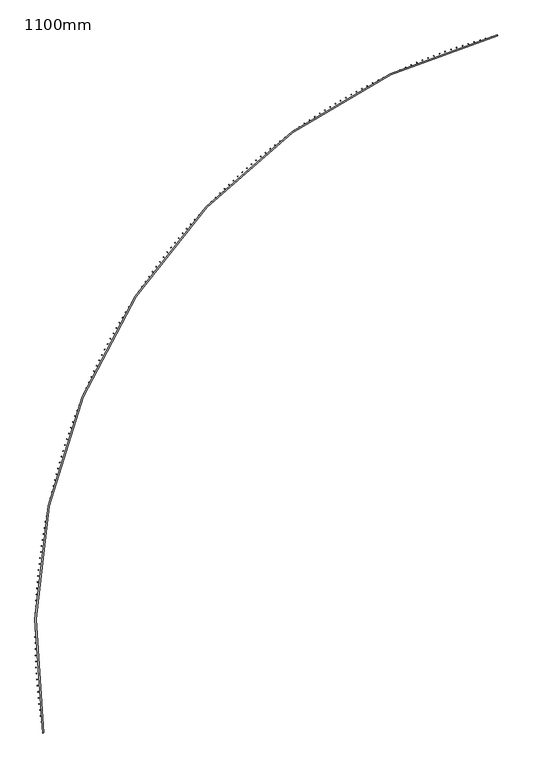
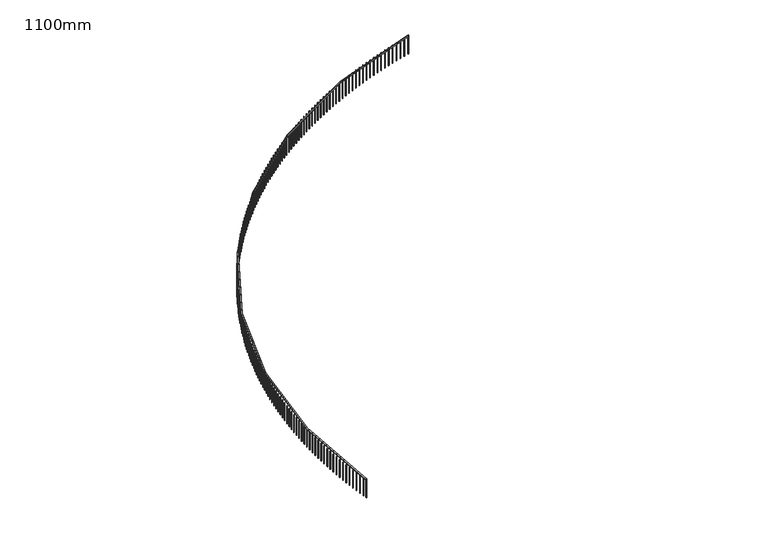
"""IFC4 building model written with IfcOpenShell, lengths in millimetres: railing geometry, 1100mm."""

from ifc_helpers import new_model, si_unit, point, frame, frame_2d, origin, place, context, project, spatial, polyline, circle_curve, trimmed, segment, composite_curve, outline, extrude, source, transform, mapped, element, save


def railing_1100mm_83570c48(model_context):
    return source(origin(), model_context, "Body", "SweptSolid", [
        extrude(outline(composite_curve([segment(trimmed(circle_curve(frame_2d((-8776.2169486, -53857.0322819)), 27971.5412014), [point((-36394.0287338, -58291.3968787))], [point((-15853.428822, -26795.6171438))], False, "CARTESIAN"), True, "CONTINUOUS"), segment(polyline([(-15853.428822, -26795.6171438), (-15840.7780857, -26843.9902651)]), True, "CONTINUOUS"), segment(trimmed(circle_curve(frame_2d((-8776.2169486, -53857.0322819)), 27921.5412014), [point((-15840.7780857, -26843.9902651))], [point((-36344.6610361, -58283.4703141))], True, "CARTESIAN"), True, "CONTINUOUS"), segment(polyline([(-36344.6610361, -58283.4703141), (-36394.0287338, -58291.3968787)]), True, "CONTINUOUS")], self_intersect=False)), frame((0.0, 0.0, 27650.0), z_axis=(0.0, 0.0, 1.0), x_axis=(1.0, 0.0, 0.0)), (0.0, 0.0, 1.0), 50.0),
        extrude(outline(polyline([(-36418.1953524, -58055.742926), (-36393.4805423, -58051.9775357), (-36389.7151521, -58076.6923458), (-36414.4299622, -58080.4577361), (-36418.1953524, -58055.742926)])), frame((0.0, 0.0, 26600.0), z_axis=(0.0, 0.0, 1.0), x_axis=(1.0, 0.0, 0.0)), (0.0, 0.0, 1.0), 1050.0),
        extrude(outline(polyline([(-36458.1726315, -57783.5410007), (-36433.4219663, -57780.0189879), (-36429.8999535, -57804.7696531), (-36454.6506187, -57808.2916659), (-36458.1726315, -57783.5410007)])), frame((0.0, 0.0, 26600.0), z_axis=(0.0, 0.0, 1.0), x_axis=(1.0, 0.0, 0.0)), (0.0, 0.0, 1.0), 1050.0),
        extrude(outline(polyline([(-36495.4694926, -57510.9588753), (-36470.685369, -57507.6805809), (-36467.4070746, -57532.4647046), (-36492.1911983, -57535.7429989), (-36495.4694926, -57510.9588753)])), frame((0.0, 0.0, 26600.0), z_axis=(0.0, 0.0, 1.0), x_axis=(1.0, 0.0, 0.0)), (0.0, 0.0, 1.0), 1050.0),
        extrude(outline(polyline([(-36530.0823244, -57238.0229435), (-36505.267142, -57234.9886851), (-36502.2328836, -57259.8038674), (-36527.0480659, -57262.8381258), (-36530.0823244, -57238.0229435)])), frame((0.0, 0.0, 26600.0), z_axis=(0.0, 0.0, 1.0), x_axis=(1.0, 0.0, 0.0)), (0.0, 0.0, 1.0), 1050.0),
        extrude(outline(polyline([(-36562.0077752, -56964.7596335), (-36537.1639369, -56961.9697048), (-36534.3740082, -56986.8135431), (-36559.2178464, -56989.6034718), (-36562.0077752, -56964.7596335)])), frame((0.0, 0.0, 26600.0), z_axis=(0.0, 0.0, 1.0), x_axis=(1.0, 0.0, 0.0)), (0.0, 0.0, 1.0), 1050.0),
        extrude(outline(polyline([(-36591.2427537, -56691.1954053), (-36566.3726652, -56688.6500764), (-36563.8273364, -56713.5201649), (-36588.6974249, -56716.0654937), (-36591.2427537, -56691.1954053)])), frame((0.0, 0.0, 26600.0), z_axis=(0.0, 0.0, 1.0), x_axis=(1.0, 0.0, 0.0)), (0.0, 0.0, 1.0), 1050.0),
        extrude(outline(polyline([(-36617.7844292, -56417.3567476), (-36592.8904987, -56415.0562651), (-36590.5900161, -56439.9501957), (-36615.4839467, -56442.2506782), (-36617.7844292, -56417.3567476)])), frame((0.0, 0.0, 26600.0), z_axis=(0.0, 0.0, 1.0), x_axis=(1.0, 0.0, 0.0)), (0.0, 0.0, 1.0), 1050.0),
        extrude(outline(polyline([(-36641.6302317, -56143.2701761), (-36616.7148695, -56141.2147626), (-36614.659456, -56166.1301249), (-36639.5748183, -56168.1855383), (-36641.6302317, -56143.2701761)])), frame((0.0, 0.0, 26600.0), z_axis=(0.0, 0.0, 1.0), x_axis=(1.0, 0.0, 0.0)), (0.0, 0.0, 1.0), 1050.0),
        extrude(outline(polyline([(-36662.7778522, -55868.9622303), (-36637.8434709, -55867.152085), (-36636.0333255, -55892.0864663), (-36660.9677069, -55893.8966117), (-36662.7778522, -55868.9622303)])), frame((0.0, 0.0, 26600.0), z_axis=(0.0, 0.0, 1.0), x_axis=(1.0, 0.0, 0.0)), (0.0, 0.0, 1.0), 1050.0),
        extrude(outline(polyline([(-36681.225243, -55594.4594712), (-36656.2742569, -55592.8947693), (-36654.7095549, -55617.8457554), (-36679.660541, -55619.4104573), (-36681.225243, -55594.4594712)])), frame((0.0, 0.0, 26600.0), z_axis=(0.0, 0.0, 1.0), x_axis=(1.0, 0.0, 0.0)), (0.0, 0.0, 1.0), 1050.0),
        extrude(outline(polyline([(-36696.9706178, -55319.7884787), (-36672.005443, -55318.4693716), (-36670.6863359, -55343.4345465), (-36695.6515107, -55344.7536536), (-36696.9706178, -55319.7884787)])), frame((0.0, 0.0, 26600.0), z_axis=(0.0, 0.0, 1.0), x_axis=(1.0, 0.0, 0.0)), (0.0, 0.0, 1.0), 1050.0),
        extrude(outline(polyline([(-36710.0124521, -55044.9758488), (-36685.0355058, -55043.9024644), (-36683.9621213, -55068.8794106), (-36708.9390676, -55069.9527951), (-36710.0124521, -55044.9758488)])), frame((0.0, 0.0, 26600.0), z_axis=(0.0, 0.0, 1.0), x_axis=(1.0, 0.0, 0.0)), (0.0, 0.0, 1.0), 1050.0),
        extrude(outline(polyline([(-36720.349483, -54770.0481915), (-36695.3631838, -54769.2206336), (-36694.5356258, -54794.2069328), (-36719.521925, -54795.0344907), (-36720.349483, -54770.0481915)])), frame((0.0, 0.0, 26600.0), z_axis=(0.0, 0.0, 1.0), x_axis=(1.0, 0.0, 0.0)), (0.0, 0.0, 1.0), 1050.0),
        extrude(outline(polyline([(-36727.9807095, -54495.0321277), (-36702.9874768, -54494.4504765), (-36702.4058255, -54519.4437092), (-36727.3990583, -54520.0253604), (-36727.9807095, -54495.0321277)])), frame((0.0, 0.0, 26600.0), z_axis=(0.0, 0.0, 1.0), x_axis=(1.0, 0.0, 0.0)), (0.0, 0.0, 1.0), 1050.0),
        extrude(outline(polyline([(-36732.9053928, -54219.954287), (-36707.9076467, -54219.6185987), (-36707.5719584, -54244.6163449), (-36732.5697046, -54244.9520331), (-36732.9053928, -54219.954287)])), frame((0.0, 0.0, 26600.0), z_axis=(0.0, 0.0, 1.0), x_axis=(1.0, 0.0, 0.0)), (0.0, 0.0, 1.0), 1050.0),
        extrude(outline(polyline([(-36735.123056, -53944.8413048), (-36710.1232169, -53944.7516121), (-36710.0335242, -53969.7514512), (-36735.0333633, -53969.8411439), (-36735.123056, -53944.8413048)])), frame((0.0, 0.0, 26600.0), z_axis=(0.0, 0.0, 1.0), x_axis=(1.0, 0.0, 0.0)), (0.0, 0.0, 1.0), 1050.0),
        extrude(outline(polyline([(-36734.6334844, -53669.7198202), (-36709.6339731, -53669.8761317), (-36709.7902845, -53694.875643), (-36734.7897959, -53694.7193316), (-36734.6334844, -53669.7198202)])), frame((0.0, 0.0, 26600.0), z_axis=(0.0, 0.0, 1.0), x_axis=(1.0, 0.0, 0.0)), (0.0, 0.0, 1.0), 1050.0),
        extrude(outline(polyline([(-36731.4367254, -53394.6164729), (-36706.4399625, -53395.0187734), (-36706.842263, -53420.0155363), (-36731.8390259, -53419.6132358), (-36731.4367254, -53394.6164729)])), frame((0.0, 0.0, 26600.0), z_axis=(0.0, 0.0, 1.0), x_axis=(1.0, 0.0, 0.0)), (0.0, 0.0, 1.0), 1050.0),
        extrude(outline(polyline([(-36725.5330885, -53119.5579009), (-36700.5414945, -53120.2061515), (-36701.189745, -53145.1977455), (-36726.181339, -53144.5494949), (-36725.5330885, -53119.5579009)])), frame((0.0, 0.0, 26600.0), z_axis=(0.0, 0.0, 1.0), x_axis=(1.0, 0.0, 0.0)), (0.0, 0.0, 1.0), 1050.0),
        extrude(outline(polyline([(-36716.9231453, -52844.5707378), (-36691.9391401, -52845.4648758), (-36692.833278, -52870.448881), (-36717.8172832, -52869.5547431), (-36716.9231453, -52844.5707378)])), frame((0.0, 0.0, 26600.0), z_axis=(0.0, 0.0, 1.0), x_axis=(1.0, 0.0, 0.0)), (0.0, 0.0, 1.0), 1050.0),
        extrude(outline(polyline([(-36705.6077296, -52569.6816105), (-36680.6337323, -52570.8215491), (-36681.773671, -52595.7955464), (-36706.7476683, -52594.6556078), (-36705.6077296, -52569.6816105)])), frame((0.0, 0.0, 26600.0), z_axis=(0.0, 0.0, 1.0), x_axis=(1.0, 0.0, 0.0)), (0.0, 0.0, 1.0), 1050.0),
        extrude(outline(polyline([(-36691.587937, -52294.9171361), (-36666.6263659, -52296.3027651), (-36668.0119949, -52321.2643362), (-36692.973566, -52319.8787072), (-36691.587937, -52294.9171361)])), frame((0.0, 0.0, 26600.0), z_axis=(0.0, 0.0, 1.0), x_axis=(1.0, 0.0, 0.0)), (0.0, 0.0, 1.0), 1050.0),
        extrude(outline(polyline([(-36674.865125, -52020.3039199), (-36649.9183971, -52021.9351051), (-36651.5495823, -52046.881833), (-36676.4963103, -52045.2506478), (-36674.865125, -52020.3039199)])), frame((0.0, 0.0, 26600.0), z_axis=(0.0, 0.0, 1.0), x_axis=(1.0, 0.0, 0.0)), (0.0, 0.0, 1.0), 1050.0),
        extrude(outline(polyline([(-36655.440913, -51745.8685523), (-36630.5114438, -51747.7451358), (-36632.3880273, -51772.674605), (-36657.3174965, -51770.7980215), (-36655.440913, -51745.8685523)])), frame((0.0, 0.0, 26600.0), z_axis=(0.0, 0.0, 1.0), x_axis=(1.0, 0.0, 0.0)), (0.0, 0.0, 1.0), 1050.0),
        extrude(outline(polyline([(-36633.3171816, -51471.6376068), (-36608.4073851, -51473.7594068), (-36610.5291851, -51498.6692034), (-36635.4389817, -51496.5474034), (-36633.3171816, -51471.6376068)])), frame((0.0, 0.0, 26600.0), z_axis=(0.0, 0.0, 1.0), x_axis=(1.0, 0.0, 0.0)), (0.0, 0.0, 1.0), 1050.0),
        extrude(outline(polyline([(-36608.4960732, -51197.6376368), (-36583.6083613, -51200.004448), (-36585.9751724, -51224.8921599), (-36610.8628843, -51222.5253488), (-36608.4960732, -51197.6376368)])), frame((0.0, 0.0, 26600.0), z_axis=(0.0, 0.0, 1.0), x_axis=(1.0, 0.0, 0.0)), (0.0, 0.0, 1.0), 1050.0),
        extrude(outline(polyline([(-36580.9799912, -50923.8951736), (-36556.1167737, -50926.5067666), (-36558.7283668, -50951.3699841), (-36583.5915842, -50948.758391), (-36580.9799912, -50923.8951736)])), frame((0.0, 0.0, 26600.0), z_axis=(0.0, 0.0, 1.0), x_axis=(1.0, 0.0, 0.0)), (0.0, 0.0, 1.0), 1050.0),
        extrude(outline(polyline([(-36550.7715998, -50650.4367232), (-36525.9352843, -50653.2928453), (-36528.7914064, -50678.1291608), (-36553.6277219, -50675.2730387), (-36550.7715998, -50650.4367232)])), frame((0.0, 0.0, 26600.0), z_axis=(0.0, 0.0, 1.0), x_axis=(1.0, 0.0, 0.0)), (0.0, 0.0, 1.0), 1050.0),
        extrude(outline(polyline([(-36517.8738242, -50377.2887645), (-36493.0668155, -50380.3891391), (-36496.1671901, -50405.1961478), (-36520.9741988, -50402.0957732), (-36517.8738242, -50377.2887645)])), frame((0.0, 0.0, 26600.0), z_axis=(0.0, 0.0, 1.0), x_axis=(1.0, 0.0, 0.0)), (0.0, 0.0, 1.0), 1050.0),
        extrude(outline(polyline([(-36482.2898498, -50104.4777462), (-36457.51455, -50107.822073), (-36460.8588769, -50132.5973728), (-36485.6341766, -50129.2530459), (-36482.2898498, -50104.4777462)])), frame((0.0, 0.0, 26600.0), z_axis=(0.0, 0.0, 1.0), x_axis=(1.0, 0.0, 0.0)), (0.0, 0.0, 1.0), 1050.0),
        extrude(outline(polyline([(-36444.0231222, -49832.0300842), (-36419.2819303, -49835.6180395), (-36422.8698856, -49860.3592314), (-36447.6110775, -49856.7712761), (-36444.0231222, -49832.0300842)])), frame((0.0, 0.0, 26600.0), z_axis=(0.0, 0.0, 1.0), x_axis=(1.0, 0.0, 0.0)), (0.0, 0.0, 1.0), 1050.0),
        extrude(outline(polyline([(-36403.0773466, -49559.9721594), (-36378.3726583, -49563.8033957), (-36382.2038946, -49588.5080841), (-36406.908583, -49584.6768478), (-36403.0773466, -49559.9721594)])), frame((0.0, 0.0, 26600.0), z_axis=(0.0, 0.0, 1.0), x_axis=(1.0, 0.0, 0.0)), (0.0, 0.0, 1.0), 1050.0),
        extrude(outline(polyline([(-36359.456488, -49288.330315), (-36334.7906952, -49292.4044614), (-36338.8648416, -49317.0702541), (-36363.5306344, -49312.9961077), (-36359.456488, -49288.330315)])), frame((0.0, 0.0, 26600.0), z_axis=(0.0, 0.0, 1.0), x_axis=(1.0, 0.0, 0.0)), (0.0, 0.0, 1.0), 1050.0),
        extrude(outline(polyline([(-36313.1647699, -49017.1308537), (-36288.5402612, -49021.4475156), (-36292.8569232, -49046.0720243), (-36317.4814319, -49041.7553624), (-36313.1647699, -49017.1308537)])), frame((0.0, 0.0, 26600.0), z_axis=(0.0, 0.0, 1.0), x_axis=(1.0, 0.0, 0.0)), (0.0, 0.0, 1.0), 1050.0),
        extrude(outline(polyline([(-36264.2066749, -48746.4000355), (-36239.6258345, -48750.958795), (-36244.1845941, -48775.5396354), (-36268.7654344, -48770.9808758), (-36264.2066749, -48746.4000355)])), frame((0.0, 0.0, 26600.0), z_axis=(0.0, 0.0, 1.0), x_axis=(1.0, 0.0, 0.0)), (0.0, 0.0, 1.0), 1050.0),
        extrude(outline(polyline([(-36212.5869434, -48476.1640751), (-36188.0521516, -48480.9644908), (-36192.8525673, -48505.4992826), (-36217.3873591, -48500.6988669), (-36212.5869434, -48476.1640751)])), frame((0.0, 0.0, 26600.0), z_axis=(0.0, 0.0, 1.0), x_axis=(1.0, 0.0, 0.0)), (0.0, 0.0, 1.0), 1050.0),
        extrude(outline(polyline([(-36158.3105737, -48206.4491392), (-36133.8242061, -48211.4907462), (-36138.8658132, -48235.9771138), (-36163.3521808, -48230.9355068), (-36158.3105737, -48206.4491392)])), frame((0.0, 0.0, 26600.0), z_axis=(0.0, 0.0, 1.0), x_axis=(1.0, 0.0, 0.0)), (0.0, 0.0, 1.0), 1050.0),
        extrude(outline(polyline([(-36101.3828215, -47937.2813439), (-36076.9472491, -47942.5636541), (-36082.2295593, -47966.9992265), (-36106.6651317, -47961.7169163), (-36101.3828215, -47937.2813439)])), frame((0.0, 0.0, 26600.0), z_axis=(0.0, 0.0, 1.0), x_axis=(1.0, 0.0, 0.0)), (0.0, 0.0, 1.0), 1050.0),
        extrude(outline(polyline([(-36041.8091989, -47668.6867527), (-36017.4267878, -47674.2092546), (-36022.9492897, -47698.5916657), (-36047.3317008, -47693.0691638), (-36041.8091989, -47668.6867527)])), frame((0.0, 0.0, 26600.0), z_axis=(0.0, 0.0, 1.0), x_axis=(1.0, 0.0, 0.0)), (0.0, 0.0, 1.0), 1050.0),
        extrude(outline(polyline([(-35979.5954744, -47400.6913731), (-35955.2685855, -47406.453532), (-35961.0307443, -47430.7804209), (-35985.3576333, -47425.0182621), (-35979.5954744, -47400.6913731)])), frame((0.0, 0.0, 26600.0), z_axis=(0.0, 0.0, 1.0), x_axis=(1.0, 0.0, 0.0)), (0.0, 0.0, 1.0), 1050.0),
        extrude(outline(polyline([(-35914.7476721, -47133.3211551), (-35890.4786609, -47139.3224129), (-35896.4799188, -47163.5914241), (-35920.74893, -47157.5901662), (-35914.7476721, -47133.3211551)])), frame((0.0, 0.0, 26600.0), z_axis=(0.0, 0.0, 1.0), x_axis=(1.0, 0.0, 0.0)), (0.0, 0.0, 1.0), 1050.0),
        extrude(outline(polyline([(-35847.2720712, -46866.6019877), (-35823.0632877, -46872.8417634), (-35829.3030635, -46897.0505469), (-35853.511847, -46890.8107712), (-35847.2720712, -46866.6019877)])), frame((0.0, 0.0, 26600.0), z_axis=(0.0, 0.0, 1.0), x_axis=(1.0, 0.0, 0.0)), (0.0, 0.0, 1.0), 1050.0),
        extrude(outline(polyline([(-35777.1752052, -46600.5596971), (-35753.0289935, -46607.0373866), (-35759.506683, -46631.1835983), (-35783.6528947, -46624.7059088), (-35777.1752052, -46600.5596971)])), frame((0.0, 0.0, 26600.0), z_axis=(0.0, 0.0, 1.0), x_axis=(1.0, 0.0, 0.0)), (0.0, 0.0, 1.0), 1050.0),
        extrude(outline(polyline([(-35704.4638616, -46335.2200441), (-35680.3825598, -46341.9350201), (-35687.0975358, -46366.0163219), (-35711.1788376, -46359.3013459), (-35704.4638616, -46335.2200441)])), frame((0.0, 0.0, 26600.0), z_axis=(0.0, 0.0, 1.0), x_axis=(1.0, 0.0, 0.0)), (0.0, 0.0, 1.0), 1050.0),
        extrude(outline(polyline([(-35629.1450809, -46070.6087211), (-35605.1310208, -46077.5603334), (-35612.082633, -46101.5743936), (-35636.0966932, -46094.6227813), (-35629.1450809, -46070.6087211)])), frame((0.0, 0.0, 26600.0), z_axis=(0.0, 0.0, 1.0), x_axis=(1.0, 0.0, 0.0)), (0.0, 0.0, 1.0), 1050.0),
        extrude(outline(polyline([(-35551.2261563, -45806.7513503), (-35527.281663, -45813.9389257), (-35534.4692384, -45837.883419), (-35558.4137317, -45830.6958436), (-35551.2261563, -45806.7513503)])), frame((0.0, 0.0, 26600.0), z_axis=(0.0, 0.0, 1.0), x_axis=(1.0, 0.0, 0.0)), (0.0, 0.0, 1.0), 1050.0),
        extrude(outline(polyline([(-35470.7146324, -45543.6734806), (-35446.8420245, -45551.0963232), (-35454.2648671, -45574.9689311), (-35478.137475, -45567.5460885), (-35470.7146324, -45543.6734806)])), frame((0.0, 0.0, 26600.0), z_axis=(0.0, 0.0, 1.0), x_axis=(1.0, 0.0, 0.0)), (0.0, 0.0, 1.0), 1050.0),
        extrude(outline(polyline([(-35387.6183052, -45281.4005858), (-35363.8198943, -45289.0579768), (-35371.4772853, -45312.8563878), (-35395.2756963, -45305.1989967), (-35387.6183052, -45281.4005858)])), frame((0.0, 0.0, 26600.0), z_axis=(0.0, 0.0, 1.0), x_axis=(1.0, 0.0, 0.0)), (0.0, 0.0, 1.0), 1050.0),
        extrude(outline(polyline([(-35301.9452208, -45019.9580614), (-35278.2233112, -45027.8492594), (-35286.1145093, -45051.571169), (-35309.8364188, -45043.6799709), (-35301.9452208, -45019.9580614)])), frame((0.0, 0.0, 26600.0), z_axis=(0.0, 0.0, 1.0), x_axis=(1.0, 0.0, 0.0)), (0.0, 0.0, 1.0), 1050.0),
        extrude(outline(polyline([(-35213.7036748, -44759.3712226), (-35190.0605636, -44767.4954635), (-35198.1848045, -44791.1385748), (-35221.8279158, -44783.0143338), (-35213.7036748, -44759.3712226)])), frame((0.0, 0.0, 26600.0), z_axis=(0.0, 0.0, 1.0), x_axis=(1.0, 0.0, 0.0)), (0.0, 0.0, 1.0), 1050.0),
        extrude(outline(polyline([(-35122.9022117, -44499.6653019), (-35099.3401881, -44508.0217991), (-35107.6966853, -44531.5838226), (-35131.2587088, -44523.2273254), (-35122.9022117, -44499.6653019)])), frame((0.0, 0.0, 26600.0), z_axis=(0.0, 0.0, 1.0), x_axis=(1.0, 0.0, 0.0)), (0.0, 0.0, 1.0), 1050.0),
        extrude(outline(polyline([(-35029.5496235, -44240.8654463), (-35006.0709691, -44249.4533906), (-35014.6589133, -44272.932045), (-35038.1375678, -44264.3441007), (-35029.5496235, -44240.8654463)])), frame((0.0, 0.0, 26600.0), z_axis=(0.0, 0.0, 1.0), x_axis=(1.0, 0.0, 0.0)), (0.0, 0.0, 1.0), 1050.0),
        extrude(outline(polyline([(-34933.6549496, -43982.9967152), (-34910.2619378, -43991.815275), (-34919.0804975, -44015.2082868), (-34942.4735094, -44006.389727), (-34933.6549496, -43982.9967152)])), frame((0.0, 0.0, 26600.0), z_axis=(0.0, 0.0, 1.0), x_axis=(1.0, 0.0, 0.0)), (0.0, 0.0, 1.0), 1050.0),
        extrude(outline(polyline([(-34835.2274753, -43726.0840777), (-34811.9223712, -43735.1323991), (-34820.9706926, -43758.4375033), (-34844.2757968, -43749.3891819), (-34835.2274753, -43726.0840777)])), frame((0.0, 0.0, 26600.0), z_axis=(0.0, 0.0, 1.0), x_axis=(1.0, 0.0, 0.0)), (0.0, 0.0, 1.0), 1050.0),
        extrude(outline(polyline([(-34734.2767314, -43470.1524105), (-34711.0617915, -43479.4296174), (-34720.3389984, -43502.6445573), (-34743.5539383, -43493.3673504), (-34734.2767314, -43470.1524105)])), frame((0.0, 0.0, 26600.0), z_axis=(0.0, 0.0, 1.0), x_axis=(1.0, 0.0, 0.0)), (0.0, 0.0, 1.0), 1050.0),
        extrude(outline(polyline([(-34630.8124927, -43215.2264953), (-34607.689965, -43224.7316893), (-34617.1951591, -43247.854217), (-34640.3176868, -43238.3490229), (-34630.8124927, -43215.2264953)])), frame((0.0, 0.0, 26600.0), z_axis=(0.0, 0.0, 1.0), x_axis=(1.0, 0.0, 0.0)), (0.0, 0.0, 1.0), 1050.0),
        extrude(outline(polyline([(-34524.8447776, -42961.3310161), (-34501.8169011, -42971.063277), (-34511.5491619, -42994.0911535), (-34534.5770385, -42984.3588927), (-34524.8447776, -42961.3310161)])), frame((0.0, 0.0, 26600.0), z_axis=(0.0, 0.0, 1.0), x_axis=(1.0, 0.0, 0.0)), (0.0, 0.0, 1.0), 1050.0),
        extrude(outline(polyline([(-34416.3838469, -42708.4905576), (-34393.4528512, -42718.4489429), (-34403.4112365, -42741.3799386), (-34426.3422322, -42731.4215532), (-34416.3838469, -42708.4905576)])), frame((0.0, 0.0, 26600.0), z_axis=(0.0, 0.0, 1.0), x_axis=(1.0, 0.0, 0.0)), (0.0, 0.0, 1.0), 1050.0),
        extrude(outline(polyline([(-34305.4402026, -42456.729602), (-34282.6083083, -42466.9131475), (-34292.7918538, -42489.7450418), (-34315.6237481, -42479.5614963), (-34305.4402026, -42456.729602)])), frame((0.0, 0.0, 26600.0), z_axis=(0.0, 0.0, 1.0), x_axis=(1.0, 0.0, 0.0)), (0.0, 0.0, 1.0), 1050.0),
        extrude(outline(polyline([(-34192.0245875, -42206.072527), (-34169.2940052, -42216.4802466), (-34179.7017248, -42239.2108289), (-34202.4323071, -42228.8031093), (-34192.0245875, -42206.072527)])), frame((0.0, 0.0, 26600.0), z_axis=(0.0, 0.0, 1.0), x_axis=(1.0, 0.0, 0.0)), (0.0, 0.0, 1.0), 1050.0),
        extrude(outline(polyline([(-34076.1479834, -41956.5436036), (-34053.5209142, -41967.1744896), (-34064.1518001, -41989.8015589), (-34086.7788694, -41979.1706729), (-34076.1479834, -41956.5436036)])), frame((0.0, 0.0, 26600.0), z_axis=(0.0, 0.0, 1.0), x_axis=(1.0, 0.0, 0.0)), (0.0, 0.0, 1.0), 1050.0),
        extrude(outline(polyline([(-33957.8216106, -41708.1669935), (-33935.3002453, -41719.0200164), (-33946.1532683, -41741.5413817), (-33968.6746335, -41730.6883588), (-33957.8216106, -41708.1669935)])), frame((0.0, 0.0, 26600.0), z_axis=(0.0, 0.0, 1.0), x_axis=(1.0, 0.0, 0.0)), (0.0, 0.0, 1.0), 1050.0),
        extrude(outline(polyline([(-33837.0569265, -41460.9667467), (-33814.6434459, -41472.0408557), (-33825.7175549, -41494.4543362), (-33848.1310355, -41483.3802272), (-33837.0569265, -41460.9667467)])), frame((0.0, 0.0, 26600.0), z_axis=(0.0, 0.0, 1.0), x_axis=(1.0, 0.0, 0.0)), (0.0, 0.0, 1.0), 1050.0),
        extrude(outline(polyline([(-33713.8656245, -41214.9667993), (-33691.562199, -41226.2609221), (-33702.8563218, -41248.5643476), (-33725.1597473, -41237.2702249), (-33713.8656245, -41214.9667993)])), frame((0.0, 0.0, 26600.0), z_axis=(0.0, 0.0, 1.0), x_axis=(1.0, 0.0, 0.0)), (0.0, 0.0, 1.0), 1050.0),
        extrude(outline(polyline([(-33588.2596333, -40970.1909714), (-33566.0684224, -40981.7040144), (-33577.5814654, -41003.8952253), (-33599.7726763, -40992.3821823), (-33588.2596333, -40970.1909714)])), frame((0.0, 0.0, 26600.0), z_axis=(0.0, 0.0, 1.0), x_axis=(1.0, 0.0, 0.0)), (0.0, 0.0, 1.0), 1050.0),
        extrude(outline(polyline([(-33460.2511151, -40726.6629643), (-33438.1742676, -40738.3938127), (-33449.9051159, -40760.4706602), (-33471.9819634, -40748.7398118), (-33460.2511151, -40726.6629643)])), frame((0.0, 0.0, 26600.0), z_axis=(0.0, 0.0, 1.0), x_axis=(1.0, 0.0, 0.0)), (0.0, 0.0, 1.0), 1050.0),
        extrude(outline(polyline([(-33329.8524649, -40484.4063586), (-33307.8921184, -40496.3538765), (-33319.8396362, -40518.314223), (-33341.7999827, -40506.3667051), (-33329.8524649, -40484.4063586)])), frame((0.0, 0.0, 26600.0), z_axis=(0.0, 0.0, 1.0), x_axis=(1.0, 0.0, 0.0)), (0.0, 0.0, 1.0), 1050.0),
        extrude(outline(polyline([(-33197.076309, -40243.4446119), (-33175.23459, -40255.6076424), (-33187.3976205, -40277.4493614), (-33209.2393395, -40265.2863309), (-33197.076309, -40243.4446119)])), frame((0.0, 0.0, 26600.0), z_axis=(0.0, 0.0, 1.0), x_axis=(1.0, 0.0, 0.0)), (0.0, 0.0, 1.0), 1050.0),
        extrude(outline(polyline([(-33061.9355041, -40003.8010561), (-33040.2145274, -40016.1784215), (-33052.5918928, -40037.8993982), (-33074.3128694, -40025.5220328), (-33061.9355041, -40003.8010561)])), frame((0.0, 0.0, 26600.0), z_axis=(0.0, 0.0, 1.0), x_axis=(1.0, 0.0, 0.0)), (0.0, 0.0, 1.0), 1050.0),
        extrude(outline(polyline([(-32924.4431356, -39765.4988959), (-32902.8450046, -39778.0893976), (-32915.4355063, -39799.6875287), (-32937.0336374, -39787.0970269), (-32924.4431356, -39765.4988959)])), frame((0.0, 0.0, 26600.0), z_axis=(0.0, 0.0, 1.0), x_axis=(1.0, 0.0, 0.0)), (0.0, 0.0, 1.0), 1050.0),
        extrude(outline(polyline([(-32784.6125169, -39528.5612056), (-32763.1393228, -39541.3636247), (-32775.9417419, -39562.8368188), (-32797.414936, -39550.0343998), (-32784.6125169, -39528.5612056)])), frame((0.0, 0.0, 26600.0), z_axis=(0.0, 0.0, 1.0), x_axis=(1.0, 0.0, 0.0)), (0.0, 0.0, 1.0), 1050.0),
        extrude(outline(polyline([(-32642.4571877, -39293.0109279), (-32621.1110097, -39306.0240246), (-32634.1241064, -39327.3702026), (-32655.4702844, -39314.3571059), (-32642.4571877, -39293.0109279)])), frame((0.0, 0.0, 26600.0), z_axis=(0.0, 0.0, 1.0), x_axis=(1.0, 0.0, 0.0)), (0.0, 0.0, 1.0), 1050.0),
        extrude(outline(polyline([(-32497.9909126, -39058.8708708), (-32476.7738177, -39072.0933851), (-32489.996332, -39093.31048), (-32511.2134269, -39080.0879657), (-32497.9909126, -39058.8708708)])), frame((0.0, 0.0, 26600.0), z_axis=(0.0, 0.0, 1.0), x_axis=(1.0, 0.0, 0.0)), (0.0, 0.0, 1.0), 1050.0),
        extrude(outline(polyline([(-32351.2276803, -38826.1637059), (-32330.1417229, -38839.5943574), (-32343.5723745, -38860.6803148), (-32364.6583318, -38847.2496633), (-32351.2276803, -38826.1637059)])), frame((0.0, 0.0, 26600.0), z_axis=(0.0, 0.0, 1.0), x_axis=(1.0, 0.0, 0.0)), (0.0, 0.0, 1.0), 1050.0),
        extrude(outline(polyline([(-32202.1817017, -38594.911966), (-32181.2289235, -38608.5494543), (-32194.8664118, -38629.5022324), (-32215.81919, -38615.8647441), (-32202.1817017, -38594.911966)])), frame((0.0, 0.0, 26600.0), z_axis=(0.0, 0.0, 1.0), x_axis=(1.0, 0.0, 0.0)), (0.0, 0.0, 1.0), 1050.0),
        extrude(outline(polyline([(-32050.8674087, -38365.1380429), (-32030.0498386, -38378.9810475), (-32043.8928432, -38399.7986176), (-32064.7104133, -38385.955613), (-32050.8674087, -38365.1380429)])), frame((0.0, 0.0, 26600.0), z_axis=(0.0, 0.0, 1.0), x_axis=(1.0, 0.0, 0.0)), (0.0, 0.0, 1.0), 1050.0),
        extrude(outline(polyline([(-31897.2994529, -38136.8641856), (-31876.6191067, -38150.9113661), (-31890.6662872, -38171.5917123), (-31911.3466334, -38157.5445318), (-31897.2994529, -38136.8641856)])), frame((0.0, 0.0, 26600.0), z_axis=(0.0, 0.0, 1.0), x_axis=(1.0, 0.0, 0.0)), (0.0, 0.0, 1.0), 1050.0),
        extrude(outline(polyline([(-31741.4927044, -37910.1124975), (-31720.9515844, -37924.3624937), (-31735.2015806, -37944.9036136), (-31755.7427005, -37930.6536174), (-31741.4927044, -37910.1124975)])), frame((0.0, 0.0, 26600.0), z_axis=(0.0, 0.0, 1.0), x_axis=(1.0, 0.0, 0.0)), (0.0, 0.0, 1.0), 1050.0),
        extrude(outline(polyline([(-31583.4622495, -37684.9049347), (-31563.0623448, -37699.3563668), (-31577.5137769, -37719.7562715), (-31597.9136816, -37705.3048394), (-31583.4622495, -37684.9049347)])), frame((0.0, 0.0, 26600.0), z_axis=(0.0, 0.0, 1.0), x_axis=(1.0, 0.0, 0.0)), (0.0, 0.0, 1.0), 1050.0),
        extrude(outline(polyline([(-31423.2233904, -37461.263304), (-31402.9666763, -37475.9147727), (-31417.6181449, -37496.1714868), (-31437.874859, -37481.5200181), (-31423.2233904, -37461.263304)])), frame((0.0, 0.0, 26600.0), z_axis=(0.0, 0.0, 1.0), x_axis=(1.0, 0.0, 0.0)), (0.0, 0.0, 1.0), 1050.0),
        extrude(outline(polyline([(-31260.7916427, -37239.2092603), (-31240.6800806, -37254.0593469), (-31255.5301671, -37274.170909), (-31275.6417292, -37259.3208224), (-31260.7916427, -37239.2092603)])), frame((0.0, 0.0, 26600.0), z_axis=(0.0, 0.0, 1.0), x_axis=(1.0, 0.0, 0.0)), (0.0, 0.0, 1.0), 1050.0),
        extrude(outline(polyline([(-31096.1827346, -37018.764305), (-31076.2182719, -37033.8115715), (-31091.2655383, -37053.7760342), (-31111.2300011, -37038.7287677), (-31096.1827346, -37018.764305)])), frame((0.0, 0.0, 26600.0), z_axis=(0.0, 0.0, 1.0), x_axis=(1.0, 0.0, 0.0)), (0.0, 0.0, 1.0), 1050.0),
        extrude(outline(polyline([(-30929.412605, -36799.9497834), (-30909.5971748, -36815.1927729), (-30924.8401642, -36835.008203), (-30944.6555944, -36819.7652136), (-30929.412605, -36799.9497834)])), frame((0.0, 0.0, 26600.0), z_axis=(0.0, 0.0, 1.0), x_axis=(1.0, 0.0, 0.0)), (0.0, 0.0, 1.0), 1050.0),
        extrude(outline(polyline([(-30760.4974021, -36582.7868833), (-30740.8329231, -36598.2241197), (-30756.2701596, -36617.8885986), (-30775.9346385, -36602.4513622), (-30760.4974021, -36582.7868833)])), frame((0.0, 0.0, 26600.0), z_axis=(0.0, 0.0, 1.0), x_axis=(1.0, 0.0, 0.0)), (0.0, 0.0, 1.0), 1050.0),
        extrude(outline(polyline([(-30589.4534818, -36367.2966322), (-30569.9418582, -36382.9266208), (-30585.5718468, -36402.4382444), (-30605.0834704, -36386.8082558), (-30589.4534818, -36367.2966322)])), frame((0.0, 0.0, 26600.0), z_axis=(0.0, 0.0, 1.0), x_axis=(1.0, 0.0, 0.0)), (0.0, 0.0, 1.0), 1050.0),
        extrude(outline(polyline([(-30416.2974061, -36153.499896), (-30396.9405272, -36169.3211234), (-30412.7617546, -36188.6780023), (-30432.1186335, -36172.8567749), (-30416.2974061, -36153.499896)])), frame((0.0, 0.0, 26600.0), z_axis=(0.0, 0.0, 1.0), x_axis=(1.0, 0.0, 0.0)), (0.0, 0.0, 1.0), 1050.0),
        extrude(outline(polyline([(-30241.0459417, -35941.4173762), (-30221.8456816, -35957.4283105), (-30237.8566158, -35976.6285705), (-30257.0568759, -35960.6176363), (-30241.0459417, -35941.4173762)])), frame((0.0, 0.0, 26600.0), z_axis=(0.0, 0.0, 1.0), x_axis=(1.0, 0.0, 0.0)), (0.0, 0.0, 1.0), 1050.0),
        extrude(outline(polyline([(-30063.7160578, -35731.0696088), (-30044.6742758, -35747.2686995), (-30060.8733665, -35766.3104815), (-30079.9151485, -35750.1113908), (-30063.7160578, -35731.0696088)])), frame((0.0, 0.0, 26600.0), z_axis=(0.0, 0.0, 1.0), x_axis=(1.0, 0.0, 0.0)), (0.0, 0.0, 1.0), 1050.0),
        extrude(outline(polyline([(-29884.3249252, -35522.4769615), (-29865.4434651, -35538.8626402), (-29881.8291438, -35557.7441002), (-29900.7106039, -35541.3584216), (-29884.3249252, -35522.4769615)])), frame((0.0, 0.0, 26600.0), z_axis=(0.0, 0.0, 1.0), x_axis=(1.0, 0.0, 0.0)), (0.0, 0.0, 1.0), 1050.0),
        extrude(outline(polyline([(-29702.8899142, -35315.6596321), (-29684.1706043, -35332.2303121), (-29700.7412843, -35350.949622), (-29719.4605942, -35334.378942), (-29702.8899142, -35315.6596321)])), frame((0.0, 0.0, 26600.0), z_axis=(0.0, 0.0, 1.0), x_axis=(1.0, 0.0, 0.0)), (0.0, 0.0, 1.0), 1050.0),
        extrude(outline(polyline([(-29519.428593, -35110.6376465), (-29500.8732457, -35127.3917233), (-29517.6273226, -35145.9470705), (-29536.1826698, -35129.1929937), (-29519.428593, -35110.6376465)])), frame((0.0, 0.0, 26600.0), z_axis=(0.0, 0.0, 1.0), x_axis=(1.0, 0.0, 0.0)), (0.0, 0.0, 1.0), 1050.0),
        extrude(outline(polyline([(-29333.9587258, -34907.4308568), (-29315.5691381, -34924.3667082), (-29332.5049894, -34942.756296), (-29350.8945772, -34925.8204446), (-29333.9587258, -34907.4308568)])), frame((0.0, 0.0, 26600.0), z_axis=(0.0, 0.0, 1.0), x_axis=(1.0, 0.0, 0.0)), (0.0, 0.0, 1.0), 1050.0),
        extrude(outline(polyline([(-29146.4982718, -34706.0589394), (-29128.276224, -34723.1749254), (-29145.39221, -34741.3969731), (-29163.6142578, -34724.2809871), (-29146.4982718, -34706.0589394)])), frame((0.0, 0.0, 26600.0), z_axis=(0.0, 0.0, 1.0), x_axis=(1.0, 0.0, 0.0)), (0.0, 0.0, 1.0), 1050.0),
        extrude(outline(polyline([(-28957.0653823, -34506.5413929), (-28939.0126391, -34523.8358562), (-28956.3071024, -34541.8885995), (-28974.3598456, -34524.5941361), (-28957.0653823, -34506.5413929)])), frame((0.0, 0.0, 26600.0), z_axis=(0.0, 0.0, 1.0), x_axis=(1.0, 0.0, 0.0)), (0.0, 0.0, 1.0), 1050.0),
        extrude(outline(polyline([(-28765.6784001, -34308.8975364), (-28747.7967094, -34326.3688025), (-28765.2679755, -34344.2504932), (-28783.1496662, -34326.7792271), (-28765.6784001, -34308.8975364)])), frame((0.0, 0.0, 26600.0), z_axis=(0.0, 0.0, 1.0), x_axis=(1.0, 0.0, 0.0)), (0.0, 0.0, 1.0), 1050.0),
        extrude(outline(polyline([(-28572.355857, -34113.1465076), (-28554.6469503, -34130.7928846), (-28572.2933273, -34148.5017913), (-28590.002234, -34130.8554143), (-28572.355857, -34113.1465076)])), frame((0.0, 0.0, 26600.0), z_axis=(0.0, 0.0, 1.0), x_axis=(1.0, 0.0, 0.0)), (0.0, 0.0, 1.0), 1050.0),
        extrude(outline(polyline([(-28377.1164722, -33919.3072608), (-28359.5820642, -33937.1270402), (-28377.4018435, -33954.6614482), (-28394.9362515, -33936.8416688), (-28377.1164722, -33919.3072608)])), frame((0.0, 0.0, 26600.0), z_axis=(0.0, 0.0, 1.0), x_axis=(1.0, 0.0, 0.0)), (0.0, 0.0, 1.0), 1050.0),
        extrude(outline(polyline([(-28179.9791505, -33727.3985654), (-28162.6209391, -33745.3900216), (-28180.6123953, -33762.748233), (-28197.9706067, -33744.7567768), (-28179.9791505, -33727.3985654)])), frame((0.0, 0.0, 26600.0), z_axis=(0.0, 0.0, 1.0), x_axis=(1.0, 0.0, 0.0)), (0.0, 0.0, 1.0), 1050.0),
        extrude(outline(polyline([(-27980.9629806, -33537.4390036), (-27963.7826466, -33555.6003946), (-27981.9440375, -33572.7807286), (-27999.1243716, -33554.6193377), (-27980.9629806, -33537.4390036)])), frame((0.0, 0.0, 26600.0), z_axis=(0.0, 0.0, 1.0), x_axis=(1.0, 0.0, 0.0)), (0.0, 0.0, 1.0), 1050.0),
        extrude(outline(polyline([(-27780.0872331, -33349.4469692), (-27763.0864399, -33367.7765363), (-27781.4160071, -33384.7773295), (-27798.4168002, -33366.4477623), (-27780.0872331, -33349.4469692)])), frame((0.0, 0.0, 26600.0), z_axis=(0.0, 0.0, 1.0), x_axis=(1.0, 0.0, 0.0)), (0.0, 0.0, 1.0), 1050.0),
        extrude(outline(polyline([(-27577.3713585, -33163.4406651), (-27560.5517524, -33181.9366336), (-27579.0477209, -33198.7562397), (-27595.867327, -33180.2602712), (-27577.3713585, -33163.4406651)])), frame((0.0, 0.0, 26600.0), z_axis=(0.0, 0.0, 1.0), x_axis=(1.0, 0.0, 0.0)), (0.0, 0.0, 1.0), 1050.0),
        extrude(outline(polyline([(-27372.8349857, -32979.4381022), (-27356.1981953, -32998.0986811), (-27374.8587742, -33014.7354715), (-27391.4955646, -32996.0748926), (-27372.8349857, -32979.4381022)])), frame((0.0, 0.0, 26600.0), z_axis=(0.0, 0.0, 1.0), x_axis=(1.0, 0.0, 0.0)), (0.0, 0.0, 1.0), 1050.0),
        extrude(outline(polyline([(-27166.4979196, -32797.4570973), (-27150.0455558, -32816.2804797), (-27168.8689383, -32832.7328435), (-27185.321302, -32813.9094611), (-27166.4979196, -32797.4570973)])), frame((0.0, 0.0, 26600.0), z_axis=(0.0, 0.0, 1.0), x_axis=(1.0, 0.0, 0.0)), (0.0, 0.0, 1.0), 1050.0),
        extrude(outline(polyline([(-26958.3801398, -32617.5152714), (-26942.1137957, -32636.4996347), (-26961.098159, -32652.7659788), (-26977.3645031, -32633.7816155), (-26958.3801398, -32617.5152714)])), frame((0.0, 0.0, 26600.0), z_axis=(0.0, 0.0, 1.0), x_axis=(1.0, 0.0, 0.0)), (0.0, 0.0, 1.0), 1050.0),
        extrude(outline(polyline([(-26748.5017981, -32439.6300482), (-26732.4230487, -32458.7735542), (-26751.5665547, -32474.8523035), (-26767.645304, -32455.7087975), (-26748.5017981, -32439.6300482)])), frame((0.0, 0.0, 26600.0), z_axis=(0.0, 0.0, 1.0), x_axis=(1.0, 0.0, 0.0)), (0.0, 0.0, 1.0), 1050.0),
        extrude(outline(polyline([(-26536.8832167, -32263.8186521), (-26520.993619, -32283.119447), (-26540.294414, -32299.0090447), (-26556.1840116, -32279.7082498), (-26536.8832167, -32263.8186521)])), frame((0.0, 0.0, 26600.0), z_axis=(0.0, 0.0, 1.0), x_axis=(1.0, 0.0, 0.0)), (0.0, 0.0, 1.0), 1050.0),
        extrude(outline(polyline([(-26323.5448866, -32090.0981067), (-26307.8459791, -32109.5543218), (-26327.3021942, -32125.2532293), (-26343.0011017, -32105.7970142), (-26323.5448866, -32090.0981067)])), frame((0.0, 0.0, 26600.0), z_axis=(0.0, 0.0, 1.0), x_axis=(1.0, 0.0, 0.0)), (0.0, 0.0, 1.0), 1050.0),
        extrude(outline(polyline([(-26108.5074651, -31918.4852333), (-26093.0007679, -31938.0949846), (-26112.6105192, -31953.6016817), (-26128.1172163, -31933.9919305), (-26108.5074651, -31918.4852333)])), frame((0.0, 0.0, 26600.0), z_axis=(0.0, 0.0, 1.0), x_axis=(1.0, 0.0, 0.0)), (0.0, 0.0, 1.0), 1050.0),
        extrude(outline(polyline([(-25891.791774, -31748.996649), (-25876.4787887, -31768.7580376), (-25896.2401773, -31784.071023), (-25911.5531626, -31764.3096344), (-25891.791774, -31748.996649)])), frame((0.0, 0.0, 26600.0), z_axis=(0.0, 0.0, 1.0), x_axis=(1.0, 0.0, 0.0)), (0.0, 0.0, 1.0), 1050.0),
        extrude(outline(polyline([(-25673.4187978, -31581.6487652), (-25658.301007, -31601.5598777), (-25678.2121196, -31616.6776685), (-25693.3299103, -31596.766556), (-25673.4187978, -31581.6487652)])), frame((0.0, 0.0, 26600.0), z_axis=(0.0, 0.0, 1.0), x_axis=(1.0, 0.0, 0.0)), (0.0, 0.0, 1.0), 1050.0),
        extrude(outline(polyline([(-25453.4096813, -31416.457786), (-25438.4885489, -31436.5166944), (-25458.5474574, -31451.4378268), (-25473.4685897, -31431.3789183), (-25453.4096813, -31416.457786)])), frame((0.0, 0.0, 26600.0), z_axis=(0.0, 0.0, 1.0), x_axis=(1.0, 0.0, 0.0)), (0.0, 0.0, 1.0), 1050.0),
        extrude(outline(polyline([(-25231.7857277, -31253.4397067), (-25217.0626985, -31273.6444688), (-25237.2674606, -31288.367498), (-25251.9904898, -31268.1627359), (-25231.7857277, -31253.4397067)])), frame((0.0, 0.0, 26600.0), z_axis=(0.0, 0.0, 1.0), x_axis=(1.0, 0.0, 0.0)), (0.0, 0.0, 1.0), 1050.0),
        extrude(outline(polyline([(-25008.5683967, -31092.6103122), (-24994.0448964, -31112.9589716), (-25014.3935558, -31127.4824719), (-25028.9170561, -31107.1338126), (-25008.5683967, -31092.6103122)])), frame((0.0, 0.0, 26600.0), z_axis=(0.0, 0.0, 1.0), x_axis=(1.0, 0.0, 0.0)), (0.0, 0.0, 1.0), 1050.0),
        extrude(outline(polyline([(-24783.7793023, -30933.9851755), (-24769.4567371, -30954.4757618), (-24789.9473233, -30968.798327), (-24804.2698886, -30948.3077407), (-24783.7793023, -30933.9851755)])), frame((0.0, 0.0, 26600.0), z_axis=(0.0, 0.0, 1.0), x_axis=(1.0, 0.0, 0.0)), (0.0, 0.0, 1.0), 1050.0),
        extrude(outline(polyline([(-24557.4402105, -30777.5796561), (-24543.3199673, -30798.2101852), (-24563.9504963, -30812.3304284), (-24578.0707396, -30791.6998994), (-24557.4402105, -30777.5796561)])), frame((0.0, 0.0, 26600.0), z_axis=(0.0, 0.0, 1.0), x_axis=(1.0, 0.0, 0.0)), (0.0, 0.0, 1.0), 1050.0),
        extrude(outline(polyline([(-24329.5730376, -30623.4088986), (-24315.6564835, -30644.1773728), (-24336.4249578, -30658.0939269), (-24350.3415119, -30637.3254526), (-24329.5730376, -30623.4088986)])), frame((0.0, 0.0, 26600.0), z_axis=(0.0, 0.0, 1.0), x_axis=(1.0, 0.0, 0.0)), (0.0, 0.0, 1.0), 1050.0),
        extrude(outline(polyline([(-24100.1998477, -30471.4878312), (-24086.4883304, -30492.3922396), (-24107.3927388, -30506.1037569), (-24121.1042562, -30485.1993485), (-24100.1998477, -30471.4878312)])), frame((0.0, 0.0, 26600.0), z_axis=(0.0, 0.0, 1.0), x_axis=(1.0, 0.0, 0.0)), (0.0, 0.0, 1.0), 1050.0),
        extrude(outline(polyline([(-23869.3428508, -30321.8311642), (-23855.8376979, -30342.8694827), (-23876.8760164, -30356.3746356), (-23890.3811693, -30335.3363171), (-23869.3428508, -30321.8311642)])), frame((0.0, 0.0, 26600.0), z_axis=(0.0, 0.0, 1.0), x_axis=(1.0, 0.0, 0.0)), (0.0, 0.0, 1.0), 1050.0),
        extrude(outline(polyline([(-23637.0244006, -30174.4533889), (-23623.7269198, -30195.6235803), (-23644.8971112, -30208.9210611), (-23658.194592, -30187.7508697), (-23637.0244006, -30174.4533889)])), frame((0.0, 0.0, 26600.0), z_axis=(0.0, 0.0, 1.0), x_axis=(1.0, 0.0, 0.0)), (0.0, 0.0, 1.0), 1050.0),
        extrude(outline(polyline([(-23403.2669923, -30029.3687756), (-23390.1784711, -30050.66879), (-23411.4784856, -30063.7573111), (-23424.5670067, -30042.4572967), (-23403.2669923, -30029.3687756)])), frame((0.0, 0.0, 26600.0), z_axis=(0.0, 0.0, 1.0), x_axis=(1.0, 0.0, 0.0)), (0.0, 0.0, 1.0), 1050.0),
        extrude(outline(polyline([(-23168.0932603, -29886.5913728), (-23155.2149662, -29908.0191478), (-23176.6427412, -29920.8974418), (-23189.5210353, -29899.4696668), (-23168.0932603, -29886.5913728)])), frame((0.0, 0.0, 26600.0), z_axis=(0.0, 0.0, 1.0), x_axis=(1.0, 0.0, 0.0)), (0.0, 0.0, 1.0), 1050.0),
        extrude(outline(polyline([(-22931.5259763, -29746.1350054), (-22918.8591563, -29767.6884661), (-22940.412617, -29780.3552862), (-22953.0794371, -29758.8018254), (-22931.5259763, -29746.1350054)])), frame((0.0, 0.0, 26600.0), z_axis=(0.0, 0.0, 1.0), x_axis=(1.0, 0.0, 0.0)), (0.0, 0.0, 1.0), 1050.0),
        extrude(outline(polyline([(-22693.588047, -29608.0132737), (-22681.1339275, -29629.6903332), (-22702.810987, -29642.1444527), (-22715.2651065, -29620.4673932), (-22693.588047, -29608.0132737)])), frame((0.0, 0.0, 26600.0), z_axis=(0.0, 0.0, 1.0), x_axis=(1.0, 0.0, 0.0)), (0.0, 0.0, 1.0), 1050.0),
        extrude(outline(polyline([(-22454.3025116, -29472.239552), (-22442.0622986, -29494.0381112), (-22463.8608578, -29506.2783243), (-22476.1010708, -29484.479765), (-22454.3025116, -29472.239552)])), frame((0.0, 0.0, 26600.0), z_axis=(0.0, 0.0, 1.0), x_axis=(1.0, 0.0, 0.0)), (0.0, 0.0, 1.0), 1050.0),
        extrude(outline(polyline([(-22213.6925399, -29338.826987), (-22201.6674185, -29360.7449353), (-22223.5853668, -29372.7700566), (-22235.6104882, -29350.8521084), (-22213.6925399, -29338.826987)])), frame((0.0, 0.0, 26600.0), z_axis=(0.0, 0.0, 1.0), x_axis=(1.0, 0.0, 0.0)), (0.0, 0.0, 1.0), 1050.0),
        extrude(outline(polyline([(-21971.78143, -29207.788497), (-21959.9725647, -29229.823712), (-21982.0077797, -29241.6325773), (-21993.816645, -29219.5973623), (-21971.78143, -29207.788497)])), frame((0.0, 0.0, 26600.0), z_axis=(0.0, 0.0, 1.0), x_axis=(1.0, 0.0, 0.0)), (0.0, 0.0, 1.0), 1050.0),
        extrude(outline(polyline([(-21728.5926058, -29079.1367703), (-21717.00114, -29101.2871184), (-21739.1514881, -29112.8785842), (-21750.7429539, -29090.7282361), (-21728.5926058, -29079.1367703)])), frame((0.0, 0.0, 26600.0), z_axis=(0.0, 0.0, 1.0), x_axis=(1.0, 0.0, 0.0)), (0.0, 0.0, 1.0), 1050.0),
        extrude(outline(polyline([(-21484.1496152, -28952.8842642), (-21472.7766713, -28975.1476005), (-21495.0400077, -28986.5205445), (-21506.4129516, -28964.2572081), (-21484.1496152, -28952.8842642)])), frame((0.0, 0.0, 26600.0), z_axis=(0.0, 0.0, 1.0), x_axis=(1.0, 0.0, 0.0)), (0.0, 0.0, 1.0), 1050.0),
        extrude(outline(polyline([(-21238.4761273, -28829.0432034), (-21227.3228065, -28851.4173724), (-21249.6969754, -28862.5706932), (-21260.8502963, -28840.1965243), (-21238.4761273, -28829.0432034)])), frame((0.0, 0.0, 26600.0), z_axis=(0.0, 0.0, 1.0), x_axis=(1.0, 0.0, 0.0)), (0.0, 0.0, 1.0), 1050.0),
        extrude(outline(polyline([(-20991.5959305, -28707.6255796), (-20980.6633128, -28730.1084146), (-21003.1461478, -28741.0410323), (-21014.0787655, -28718.5581973), (-20991.5959305, -28707.6255796)])), frame((0.0, 0.0, 26600.0), z_axis=(0.0, 0.0, 1.0), x_axis=(1.0, 0.0, 0.0)), (0.0, 0.0, 1.0), 1050.0),
        extrude(outline(polyline([(-20743.5329299, -28588.6431494), (-20732.8220738, -28611.2324734), (-20755.4113979, -28621.9433295), (-20766.122254, -28599.3540054), (-20743.5329299, -28588.6431494)])), frame((0.0, 0.0, 26600.0), z_axis=(0.0, 0.0, 1.0), x_axis=(1.0, 0.0, 0.0)), (0.0, 0.0, 1.0), 1050.0),
        extrude(outline(polyline([(-20494.3111453, -28472.1074337), (-20483.823088, -28494.8010596), (-20506.5167139, -28505.2891168), (-20517.0047711, -28482.595491), (-20494.3111453, -28472.1074337)])), frame((0.0, 0.0, 26600.0), z_axis=(0.0, 0.0, 1.0), x_axis=(1.0, 0.0, 0.0)), (0.0, 0.0, 1.0), 1050.0),
        extrude(outline(polyline([(-20243.9547085, -28358.0297167), (-20233.6904655, -28380.8254469), (-20256.4861958, -28391.0896898), (-20266.7504387, -28368.2939596), (-20243.9547085, -28358.0297167)])), frame((0.0, 0.0, 26600.0), z_axis=(0.0, 0.0, 1.0), x_axis=(1.0, 0.0, 0.0)), (0.0, 0.0, 1.0), 1050.0),
        extrude(outline(polyline([(-19992.4878613, -28246.4210443), (-19982.4484266, -28269.3166716), (-20005.3440539, -28279.3561063), (-20015.3834886, -28256.460479), (-19992.4878613, -28246.4210443)])), frame((0.0, 0.0, 26600.0), z_axis=(0.0, 0.0, 1.0), x_axis=(1.0, 0.0, 0.0)), (0.0, 0.0, 1.0), 1050.0),
        extrude(outline(polyline([(-19739.9349531, -28137.2922236), (-19730.1212987, -28160.285531), (-19753.1146062, -28170.0991854), (-19762.9282605, -28147.1058779), (-19739.9349531, -28137.2922236)])), frame((0.0, 0.0, 26600.0), z_axis=(0.0, 0.0, 1.0), x_axis=(1.0, 0.0, 0.0)), (0.0, 0.0, 1.0), 1050.0),
        extrude(outline(polyline([(-19486.3204382, -28030.6538213), (-19476.7335145, -28053.7425825), (-19499.8222756, -28063.3295062), (-19509.4091994, -28040.2407451), (-19486.3204382, -28030.6538213)])), frame((0.0, 0.0, 26600.0), z_axis=(0.0, 0.0, 1.0), x_axis=(1.0, 0.0, 0.0)), (0.0, 0.0, 1.0), 1050.0),
        extrude(outline(polyline([(-19231.6688741, -27926.5161632), (-19222.3096092, -27949.6981424), (-19245.4915884, -27959.0574073), (-19254.8508533, -27935.8754281), (-19231.6688741, -27926.5161632)])), frame((0.0, 0.0, 26600.0), z_axis=(0.0, 0.0, 1.0), x_axis=(1.0, 0.0, 0.0)), (0.0, 0.0, 1.0), 1050.0),
        extrude(outline(polyline([(-18976.0049182, -27824.8893328), (-18966.8742185, -27848.1622853), (-18990.1471711, -27857.2929851), (-18999.2778708, -27834.0200325), (-18976.0049182, -27824.8893328)])), frame((0.0, 0.0, 26600.0), z_axis=(0.0, 0.0, 1.0), x_axis=(1.0, 0.0, 0.0)), (0.0, 0.0, 1.0), 1050.0),
        extrude(outline(polyline([(-18719.3533264, -27725.7831705), (-18710.4520759, -27749.1448429), (-18733.8137484, -27758.0460935), (-18742.7149989, -27734.684421), (-18719.3533264, -27725.7831705)])), frame((0.0, 0.0, 26600.0), z_axis=(0.0, 0.0, 1.0), x_axis=(1.0, 0.0, 0.0)), (0.0, 0.0, 1.0), 1050.0),
        extrude(outline(polyline([(-18461.73895, -27629.2072728), (-18453.0680106, -27652.655403), (-18476.5161408, -27661.3263424), (-18485.1870802, -27637.8782122), (-18461.73895, -27629.2072728)])), frame((0.0, 0.0, 26600.0), z_axis=(0.0, 0.0, 1.0), x_axis=(1.0, 0.0, 0.0)), (0.0, 0.0, 1.0), 1050.0),
        extrude(outline(polyline([(-18203.1867335, -27535.1709909), (-18194.7469449, -27558.7033084), (-18218.2792624, -27567.143097), (-18226.719051, -27543.6107795), (-18203.1867335, -27535.1709909)])), frame((0.0, 0.0, 26600.0), z_axis=(0.0, 0.0, 1.0), x_axis=(1.0, 0.0, 0.0)), (0.0, 0.0, 1.0), 1050.0),
        extrude(outline(polyline([(-17943.7217123, -27443.6834303), (-17935.5138916, -27467.2976565), (-17959.1281178, -27475.5054772), (-17967.3359385, -27451.891251), (-17943.7217123, -27443.6834303)])), frame((0.0, 0.0, 26600.0), z_axis=(0.0, 0.0, 1.0), x_axis=(1.0, 0.0, 0.0)), (0.0, 0.0, 1.0), 1050.0),
        extrude(outline(polyline([(-17683.3690102, -27354.7534497), (-17675.3939522, -27378.447298), (-17699.0878005, -27386.422356), (-17707.0628585, -27362.7285076), (-17683.3690102, -27354.7534497)])), frame((0.0, 0.0, 26600.0), z_axis=(0.0, 0.0, 1.0), x_axis=(1.0, 0.0, 0.0)), (0.0, 0.0, 1.0), 1050.0),
        extrude(outline(polyline([(-17422.1538368, -27268.38966), (-17414.4123137, -27292.1608363), (-17438.18349, -27299.9023593), (-17445.925013, -27276.131183), (-17422.1538368, -27268.38966)])), frame((0.0, 0.0, 26600.0), z_axis=(0.0, 0.0, 1.0), x_axis=(1.0, 0.0, 0.0)), (0.0, 0.0, 1.0), 1050.0),
        extrude(outline(polyline([(-17160.1014854, -27184.6004238), (-17152.5942469, -27208.4466262), (-17176.4404493, -27215.9538648), (-17183.9476878, -27192.1076623), (-17160.1014854, -27184.6004238)])), frame((0.0, 0.0, 26600.0), z_axis=(0.0, 0.0, 1.0), x_axis=(1.0, 0.0, 0.0)), (0.0, 0.0, 1.0), 1050.0),
        extrude(outline(polyline([(-16897.2373303, -27103.3938544), (-16889.9651032, -27127.312774), (-16913.8840228, -27134.585001), (-16921.1562498, -27110.6660814), (-16897.2373303, -27103.3938544)])), frame((0.0, 0.0, 26600.0), z_axis=(0.0, 0.0, 1.0), x_axis=(1.0, 0.0, 0.0)), (0.0, 0.0, 1.0), 1050.0),
        extrude(outline(polyline([(-16633.5868243, -27024.7778148), (-16626.5503129, -27048.7671355), (-16650.5396335, -27055.8036469), (-16657.576145, -27031.8143263), (-16633.5868243, -27024.7778148)])), frame((0.0, 0.0, 26600.0), z_axis=(0.0, 0.0, 1.0), x_axis=(1.0, 0.0, 0.0)), (0.0, 0.0, 1.0), 1050.0),
        extrude(outline(polyline([(-16369.1754965, -26948.7599175), (-16362.375382, -26972.8173164), (-16386.432781, -26979.6174309), (-16393.2328955, -26955.5600319), (-16369.1754965, -26948.7599175)])), frame((0.0, 0.0, 26600.0), z_axis=(0.0, 0.0, 1.0), x_axis=(1.0, 0.0, 0.0)), (0.0, 0.0, 1.0), 1050.0),
        extrude(outline(polyline([(-16104.0289497, -26875.347523), (-16097.4658906, -26899.4706707), (-16121.5890383, -26906.0337298), (-16128.1520974, -26881.9105821), (-16104.0289497, -26875.347523)])), frame((0.0, 0.0, 26600.0), z_axis=(0.0, 0.0, 1.0), x_axis=(1.0, 0.0, 0.0)), (0.0, 0.0, 1.0), 1050.0),
        extrude(outline(polyline([(-36385.6426961, -58264.7245403), (-36360.957077, -58260.7722991), (-36357.0048357, -58285.4579181), (-36381.6904548, -58289.4101594), (-36385.6426961, -58264.7245403)])), frame((0.0, 0.0, 26600.0), z_axis=(0.0, 0.0, 1.0), x_axis=(1.0, 0.0, 0.0)), (0.0, 0.0, 1.0), 1050.0),
        extrude(outline(polyline([(-15850.2722548, -26807.7091356), (-15843.9360691, -26831.8928646), (-15868.1197981, -26838.2290504), (-15874.4559839, -26814.0453214), (-15850.2722548, -26807.7091356)])), frame((0.0, 0.0, 26600.0), z_axis=(0.0, 0.0, 1.0), x_axis=(1.0, 0.0, 0.0)), (0.0, 0.0, 1.0), 1050.0),
    ])


if __name__ == "__main__":
    model = new_model("IFC4")
    model_context = context("Model", 3, world=origin())
    ifc_project = project(units=[si_unit("LENGTHUNIT", "METRE", prefix="MILLI")], contexts=[model_context])
    site = spatial("IfcSite", under=ifc_project)
    building = spatial("IfcBuilding", under=site)
    placement = place(None, origin())
    railing_1100mm_shape = railing_1100mm_83570c48(model_context)
    element("IfcRailing", 1, ObjectType="1100mm", at=placement, inside=building, context=model_context, shape_type="MappedRepresentation", body=[
        mapped(railing_1100mm_shape, transform((0.0, 0.0, 0.0), x_axis=(1.0, 0.0, 0.0), y_axis=(0.0, 1.0, 0.0), z_axis=(0.0, 0.0, 1.0))),
    ])
    save(model, "model.ifc")
